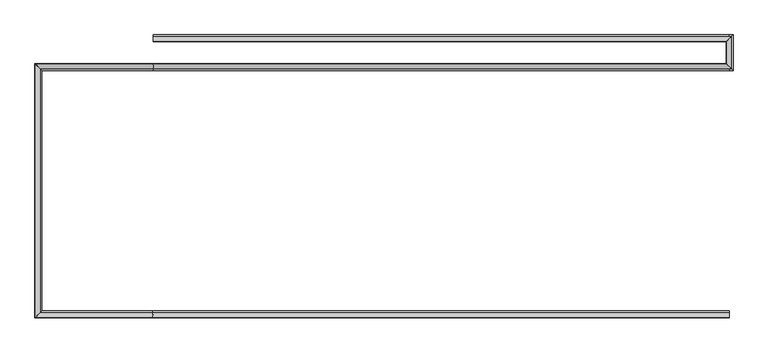
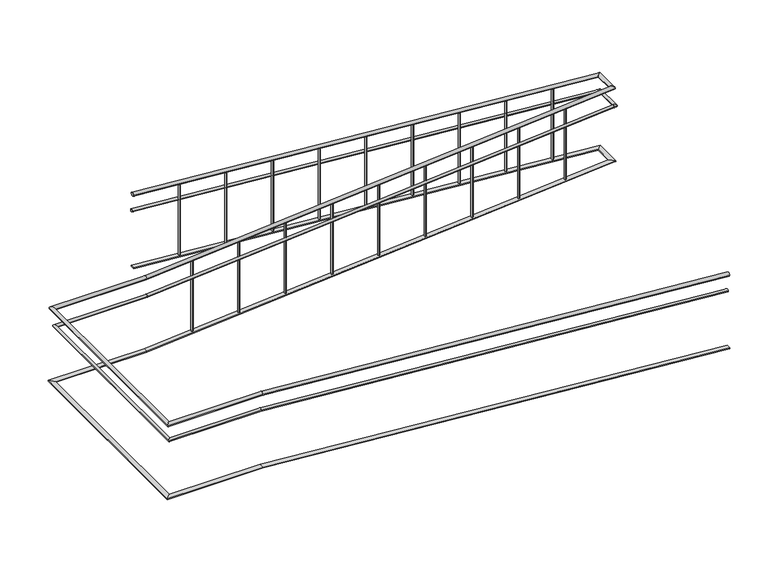
"""IFC4 building model written with IfcOpenShell, lengths in millimetres: railing geometry."""

from ifc_helpers import new_model, si_unit, frame, origin, place, context, project, spatial, ellipse_curve, faceted_brep, source, transform, mapped, element, save
from ifc_brep_helpers import plane_surface, cylinder_surface, advanced_brep


def railing_f78d1041(model_context):
    return source(origin(), model_context, "Body", "SolidModel", [
        advanced_brep(
        [(12860.0112841, -20716.8920513, -320.0638979), (12860.0112841, -20676.8920513, -320.0638979), (7859.21256, -20676.8920513, 80.0), (7859.21256, -20716.8920513, 80.0), (6880.0112841, -20676.8920513, 80.0), (6840.0112841, -20716.8920513, 80.0), (6880.0112841, -18556.8920513, 80.0), (6840.0112841, -18516.8920513, 80.0), (7860.8100082, -18556.8920513, 80.0), (7860.8100082, -18516.8920513, 80.0), (12841.669883, -18516.8920513, 478.46879), (12881.5424941, -18556.8920513, 481.6585989)],
        [
            (0, 1, ellipse_curve(frame((12860.0112841, -20696.8920513, -320.0638979), z_axis=(1.0, 0.0, 0.0), x_axis=(0.0, 0.0, -1.0)), 20.0638979, 20.0)),
            (1, 0, ellipse_curve(frame((12860.0112841, -20696.8920513, -320.0638979), z_axis=(1.0, 0.0, 0.0), x_axis=(0.0, 0.0, -1.0)), 20.0638979, 20.0)),
            (1, 2),
            (2, 3, ellipse_curve(frame((7859.21256, -20696.8920513, 80.0), z_axis=(0.9992035024298416, 0.0, -0.03990439489501753), x_axis=(-0.03990439489501675, 0.0, -0.9992035024298417)), 20.0159426, 20.0)),
            (3, 0),
            (3, 2, ellipse_curve(frame((7859.21256, -20696.8920513, 80.0), z_axis=(0.9992035024298416, 0.0, -0.03990439489501753), x_axis=(-0.03990439489501675, 0.0, -0.9992035024298417)), 20.0159426, 20.0)),
            (2, 4),
            (4, 5, ellipse_curve(frame((6860.0112841, -20696.8920513, 80.0), z_axis=(0.7071067811865487, -0.7071067811865462, 0.0), x_axis=(0.7071067811865464, 0.7071067811865487, 0.0)), 28.2842712, 20.0)),
            (5, 3),
            (5, 4, ellipse_curve(frame((6860.0112841, -20696.8920513, 80.0), z_axis=(0.7071067811865487, -0.7071067811865462, 0.0), x_axis=(0.7071067811865464, 0.7071067811865487, 0.0)), 28.2842712, 20.0)),
            (4, 6),
            (6, 7, ellipse_curve(frame((6860.0112841, -18536.8920513, 80.0), z_axis=(-0.7071067811865462, -0.7071067811865487, 0.0), x_axis=(0.7071067811865487, -0.7071067811865464, 0.0)), 28.2842712, 20.0)),
            (7, 5),
            (7, 6, ellipse_curve(frame((6860.0112841, -18536.8920513, 80.0), z_axis=(-0.7071067811865462, -0.7071067811865487, 0.0), x_axis=(0.7071067811865487, -0.7071067811865464, 0.0)), 28.2842712, 20.0)),
            (6, 8),
            (8, 9, ellipse_curve(frame((7860.8100082, -18536.8920513, 80.0), z_axis=(-0.9992035024298416, 0.0, -0.03990439489501752), x_axis=(-0.03990439489501954, 0.0, 0.9992035024298416)), 20.0159426, 20.0)),
            (9, 7),
            (9, 8, ellipse_curve(frame((7860.8100082, -18536.8920513, 80.0), z_axis=(-0.9992035024298416, 0.0, -0.03990439489501752), x_axis=(-0.03990439489501954, 0.0, 0.9992035024298416)), 20.0159426, 20.0)),
            (10, 11, ellipse_curve(frame((12861.6061885, -18536.8920513, 480.0636944), z_axis=(0.7048548430432501, 0.7071067811865488, 0.056388387443460086), x_axis=(-0.704854843043252, 0.7071067811865466, -0.056388387443460086)), 28.2842712, 20.0)),
            (11, 10, ellipse_curve(frame((12861.6061885, -18536.8920513, 480.0636944), z_axis=(0.7048548430432501, 0.7071067811865488, 0.056388387443460086), x_axis=(-0.704854843043252, 0.7071067811865466, -0.056388387443460086)), 28.2842712, 20.0)),
            (8, 11),
            (10, 9),
        ],
        [
            plane_surface(frame((12860.0112841, -20696.8920513, -300.0), z_axis=(1.0, 0.0, 0.0), x_axis=(0.0, -1.0, 0.0))),
            cylinder_surface(frame((12858.4163797, -20696.8920513, -319.9363056), z_axis=(0.9968152785361251, 0.0, -0.07974522228289002), x_axis=(0.0, 1.0, 0.0)), 20.0),
            cylinder_surface(frame((7860.0112841, -20696.8920513, 80.0), z_axis=(1.0, 0.0, 0.0), x_axis=(0.0, 1.0, 0.0)), 20.0),
            cylinder_surface(frame((6860.0112841, -20696.8920513, 80.0), z_axis=(0.0, -1.0, 0.0), x_axis=(1.0, 0.0, 0.0)), 20.0),
            cylinder_surface(frame((6860.0112841, -18536.8920513, 80.0), z_axis=(-1.0, 0.0, 0.0), x_axis=(0.0, -1.0, 0.0)), 20.0),
            plane_surface(frame((12860.0112841, -18536.8920513, 500.0), z_axis=(0.7048548430432501, 0.7071067811865488, 0.056388387443460086), x_axis=(0.7093515702657431, -0.7026242841491772, -0.0560309297208325))),
            cylinder_surface(frame((7861.6061885, -18536.8920513, 80.0636944), z_axis=(-0.9968152785361251, 0.0, -0.07974522228289001), x_axis=(0.0, -1.0, 0.0)), 20.0),
        ],
        [
            (0, [[1, 2]]),
            (1, [[-2, 3, 4, 5]]),
            (1, [[-1, -5, 6, -3]]),
            (2, [[-4, 7, 8, 9]]),
            (2, [[-6, -9, 10, -7]]),
            (3, [[-8, 11, 12, 13]]),
            (3, [[-10, -13, 14, -11]]),
            (4, [[-12, 15, 16, 17]]),
            (4, [[-14, -17, 18, -15]]),
            (5, [[19, 20]]),
            (6, [[-16, 21, -19, 22]]),
            (6, [[-18, -22, -20, -21]]),
        ],
    ),
        advanced_brep(
        [(12840.0112841, -18515.3608413, 480.0), (12880.0112841, -18555.2334525, 480.0), (12840.0112841, -18315.2334525, 480.0), (12880.0112841, -18275.3608413, 480.0)],
        [
            (0, 1, ellipse_curve(frame((12860.0112841, -18535.2971469, 480.0), z_axis=(-0.7048548430432501, -0.7071067811865488, -0.056388387443460086), x_axis=(0.7048548430432525, -0.7071067811865462, 0.056388387443460086)), 28.2842712, 20.0)),
            (1, 0, ellipse_curve(frame((12860.0112841, -18535.2971469, 480.0), z_axis=(-0.7048548430432501, -0.7071067811865488, -0.056388387443460086), x_axis=(0.7048548430432525, -0.7071067811865462, 0.056388387443460086)), 28.2842712, 20.0)),
            (2, 3, ellipse_curve(frame((12860.0112841, -18295.2971469, 480.0), z_axis=(-0.7048548430432531, 0.7071067811865458, 0.05638838744346018), x_axis=(-0.7048548430432494, -0.7071067811865491, 0.0563883874434601)), 28.2842712, 20.0)),
            (3, 2, ellipse_curve(frame((12860.0112841, -18295.2971469, 480.0), z_axis=(-0.7048548430432531, 0.7071067811865458, 0.05638838744346018), x_axis=(-0.7048548430432494, -0.7071067811865491, 0.0563883874434601)), 28.2842712, 20.0)),
            (1, 3),
            (2, 0),
        ],
        [
            plane_surface(frame((12860.0112841, -18536.8920513, 500.0), z_axis=(-0.7048548430432501, -0.7071067811865488, -0.056388387443460086), x_axis=(0.7093515702657431, -0.7026242841491772, -0.0560309297208325))),
            plane_surface(frame((12860.0112841, -18296.8920513, 500.0), z_axis=(-0.7048548430432531, 0.7071067811865458, 0.05638838744346018), x_axis=(0.7093515702657401, 0.7026242841491802, 0.05603092972083305))),
            cylinder_surface(frame((12860.0112841, -18536.8920513, 480.0), z_axis=(0.0, -1.0, 0.0), x_axis=(1.0, 0.0, 0.0)), 20.0),
        ],
        [
            (0, [[1, 2]]),
            (1, [[3, 4]]),
            (2, [[-2, 5, -3, 6]]),
            (2, [[-1, -6, -4, -5]]),
        ],
    ),
        advanced_brep(
        [(12838.4800741, -18316.8920513, 481.6585989), (12878.3526852, -18276.8920513, 478.46879), (7860.0112841, -18316.8920513, 879.9361021), (7860.0112841, -18276.8920513, 879.9361021)],
        [
            (0, 1, ellipse_curve(frame((12858.4163797, -18296.8920513, 480.0636944), z_axis=(0.7048548430432531, -0.7071067811865458, -0.05638838744346018), x_axis=(0.7048548430432492, 0.7071067811865495, -0.05638838744346005)), 28.2842712, 20.0)),
            (1, 0, ellipse_curve(frame((12858.4163797, -18296.8920513, 480.0636944), z_axis=(0.7048548430432531, -0.7071067811865458, -0.05638838744346018), x_axis=(0.7048548430432492, 0.7071067811865495, -0.05638838744346005)), 28.2842712, 20.0)),
            (2, 3, ellipse_curve(frame((7860.0112841, -18296.8920513, 879.9361021), z_axis=(-1.0, 0.0, 0.0), x_axis=(0.0, 0.0, -1.0)), 20.0638979, 20.0)),
            (3, 2, ellipse_curve(frame((7860.0112841, -18296.8920513, 879.9361021), z_axis=(-1.0, 0.0, 0.0), x_axis=(0.0, 0.0, -1.0)), 20.0638979, 20.0)),
            (1, 3),
            (2, 0),
        ],
        [
            plane_surface(frame((12860.0112841, -18296.8920513, 500.0), z_axis=(0.7048548430432531, -0.7071067811865458, -0.05638838744346018), x_axis=(0.7093515702657401, 0.7026242841491802, 0.05603092972083305))),
            plane_surface(frame((7860.0112841, -18296.8920513, 900.0), z_axis=(-1.0, 0.0, 0.0), x_axis=(0.0, -1.0, 0.0))),
            cylinder_surface(frame((12858.4163797, -18296.8920513, 480.0636944), z_axis=(0.9968152785361251, 0.0, -0.07974522228289005), x_axis=(0.0, 1.0, 0.0)), 20.0),
        ],
        [
            (0, [[1, 2]]),
            (1, [[3, 4]]),
            (2, [[-2, 5, -3, 6]]),
            (2, [[-1, -6, -4, -5]]),
        ],
    ),
        advanced_brep(
        [(12860.0112841, -20691.8920513, -515.0479234), (12860.0112841, -20661.8920513, -515.0479234), (7859.412241, -20661.8920513, -115.0), (7859.412241, -20691.8920513, -115.0), (6895.0112841, -20661.8920513, -115.0), (6865.0112841, -20691.8920513, -115.0), (6895.0112841, -18571.8920513, -115.0), (6865.0112841, -18541.8920513, -115.0), (7860.6103272, -18571.8920513, -115.0), (7860.6103272, -18541.8920513, -115.0), (12860.6103272, -18571.8920513, 285.0), (12860.6103272, -18541.8920513, 285.0), (12895.0112841, -18571.8920513, 285.0), (12865.0112841, -18541.8920513, 285.0), (12895.0112841, -18261.8920513, 285.0), (12865.0112841, -18291.8920513, 285.0), (12859.412241, -18261.8920513, 285.0), (12859.412241, -18291.8920513, 285.0), (7860.0112841, -18291.8920513, 684.9520766), (7860.0112841, -18261.8920513, 684.9520766)],
        [
            (0, 1, ellipse_curve(frame((12860.0112841, -20676.8920513, -515.0479234), z_axis=(1.0, 0.0, 0.0), x_axis=(0.0, 0.0, -1.0)), 15.0479234, 15.0)),
            (1, 0, ellipse_curve(frame((12860.0112841, -20676.8920513, -515.0479234), z_axis=(1.0, 0.0, 0.0), x_axis=(0.0, 0.0, -1.0)), 15.0479234, 15.0)),
            (1, 2),
            (2, 3, ellipse_curve(frame((7859.412241, -20676.8920513, -115.0), z_axis=(0.9992035024298416, 0.0, -0.03990439489501753), x_axis=(-0.03990439489501675, 0.0, -0.9992035024298417)), 15.011957, 15.0)),
            (3, 0),
            (3, 2, ellipse_curve(frame((7859.412241, -20676.8920513, -115.0), z_axis=(0.9992035024298416, 0.0, -0.03990439489501753), x_axis=(-0.03990439489501675, 0.0, -0.9992035024298417)), 15.011957, 15.0)),
            (2, 4),
            (4, 5, ellipse_curve(frame((6880.0112841, -20676.8920513, -115.0), z_axis=(0.7071067811865487, -0.7071067811865462, 0.0), x_axis=(0.7071067811865464, 0.7071067811865487, 0.0)), 21.2132034, 15.0)),
            (5, 3),
            (5, 4, ellipse_curve(frame((6880.0112841, -20676.8920513, -115.0), z_axis=(0.7071067811865487, -0.7071067811865462, 0.0), x_axis=(0.7071067811865464, 0.7071067811865487, 0.0)), 21.2132034, 15.0)),
            (4, 6),
            (6, 7, ellipse_curve(frame((6880.0112841, -18556.8920513, -115.0), z_axis=(-0.7071067811865462, -0.7071067811865487, 0.0), x_axis=(0.7071067811865487, -0.7071067811865464, 0.0)), 21.2132034, 15.0)),
            (7, 5),
            (7, 6, ellipse_curve(frame((6880.0112841, -18556.8920513, -115.0), z_axis=(-0.7071067811865462, -0.7071067811865487, 0.0), x_axis=(0.7071067811865487, -0.7071067811865464, 0.0)), 21.2132034, 15.0)),
            (6, 8),
            (8, 9, ellipse_curve(frame((7860.6103272, -18556.8920513, -115.0), z_axis=(-0.9992035024298416, 0.0, -0.03990439489501752), x_axis=(-0.03990439489501954, 0.0, 0.9992035024298416)), 15.011957, 15.0)),
            (9, 7),
            (9, 8, ellipse_curve(frame((7860.6103272, -18556.8920513, -115.0), z_axis=(-0.9992035024298416, 0.0, -0.03990439489501752), x_axis=(-0.03990439489501954, 0.0, 0.9992035024298416)), 15.011957, 15.0)),
            (8, 10),
            (10, 11, ellipse_curve(frame((12860.6103272, -18556.8920513, 285.0), z_axis=(-0.9992035024298416, 0.0, -0.03990439489501752), x_axis=(0.03990439489501675, 0.0, -0.9992035024298416)), 15.011957, 15.0)),
            (11, 9),
            (11, 10, ellipse_curve(frame((12860.6103272, -18556.8920513, 285.0), z_axis=(-0.9992035024298416, 0.0, -0.03990439489501752), x_axis=(0.03990439489501675, 0.0, -0.9992035024298416)), 15.011957, 15.0)),
            (10, 12),
            (12, 13, ellipse_curve(frame((12880.0112841, -18556.8920513, 285.0), z_axis=(-0.7071067811865462, -0.7071067811865487, 0.0), x_axis=(-0.7071067811865488, 0.7071067811865461, 0.0)), 21.2132034, 15.0)),
            (13, 11),
            (13, 12, ellipse_curve(frame((12880.0112841, -18556.8920513, 285.0), z_axis=(-0.7071067811865462, -0.7071067811865487, 0.0), x_axis=(-0.7071067811865488, 0.7071067811865461, 0.0)), 21.2132034, 15.0)),
            (12, 14),
            (14, 15, ellipse_curve(frame((12880.0112841, -18276.8920513, 285.0), z_axis=(0.7071067811865492, -0.7071067811865457, 0.0), x_axis=(-0.7071067811865455, -0.7071067811865495, 0.0)), 21.2132034, 15.0)),
            (15, 13),
            (15, 14, ellipse_curve(frame((12880.0112841, -18276.8920513, 285.0), z_axis=(0.7071067811865492, -0.7071067811865457, 0.0), x_axis=(-0.7071067811865455, -0.7071067811865495, 0.0)), 21.2132034, 15.0)),
            (14, 16),
            (16, 17, ellipse_curve(frame((12859.412241, -18276.8920513, 285.0), z_axis=(0.9992035024298416, 0.0, -0.03990439489501754), x_axis=(0.03990439489501952, 0.0, 0.9992035024298416)), 15.011957, 15.0)),
            (17, 15),
            (17, 16, ellipse_curve(frame((12859.412241, -18276.8920513, 285.0), z_axis=(0.9992035024298416, 0.0, -0.03990439489501754), x_axis=(0.03990439489501952, 0.0, 0.9992035024298416)), 15.011957, 15.0)),
            (18, 19, ellipse_curve(frame((7860.0112841, -18276.8920513, 684.9520766), z_axis=(-1.0, 0.0, 0.0), x_axis=(0.0, 0.0, -1.0)), 15.0479234, 15.0)),
            (19, 18, ellipse_curve(frame((7860.0112841, -18276.8920513, 684.9520766), z_axis=(-1.0, 0.0, 0.0), x_axis=(0.0, 0.0, -1.0)), 15.0479234, 15.0)),
            (16, 19),
            (18, 17),
        ],
        [
            plane_surface(frame((12860.0112841, -20676.8920513, -500.0), z_axis=(1.0, 0.0, 0.0), x_axis=(0.0, -1.0, 0.0))),
            cylinder_surface(frame((12858.8151058, -20676.8920513, -514.9522292), z_axis=(0.9968152785361251, 0.0, -0.07974522228289002), x_axis=(0.0, 1.0, 0.0)), 15.0),
            cylinder_surface(frame((7860.0112841, -20676.8920513, -115.0), z_axis=(1.0, 0.0, 0.0), x_axis=(0.0, 1.0, 0.0)), 15.0),
            cylinder_surface(frame((6880.0112841, -20676.8920513, -115.0), z_axis=(0.0, -1.0, 0.0), x_axis=(1.0, 0.0, 0.0)), 15.0),
            cylinder_surface(frame((6880.0112841, -18556.8920513, -115.0), z_axis=(-1.0, 0.0, 0.0), x_axis=(0.0, -1.0, 0.0)), 15.0),
            cylinder_surface(frame((7861.2074624, -18556.8920513, -114.9522292), z_axis=(-0.9968152785361251, 0.0, -0.07974522228289001), x_axis=(0.0, -1.0, 0.0)), 15.0),
            cylinder_surface(frame((12860.0112841, -18556.8920513, 285.0), z_axis=(-1.0, 0.0, 0.0), x_axis=(0.0, -1.0, 0.0)), 15.0),
            cylinder_surface(frame((12880.0112841, -18556.8920513, 285.0), z_axis=(0.0, -1.0, 0.0), x_axis=(1.0, 0.0, 0.0)), 15.0),
            cylinder_surface(frame((12880.0112841, -18276.8920513, 285.0), z_axis=(1.0, 0.0, 0.0), x_axis=(0.0, 1.0, 0.0)), 15.0),
            plane_surface(frame((7860.0112841, -18276.8920513, 700.0), z_axis=(-1.0, 0.0, 0.0), x_axis=(0.0, -1.0, 0.0))),
            cylinder_surface(frame((12858.8151058, -18276.8920513, 285.0477708), z_axis=(0.9968152785361251, 0.0, -0.07974522228289005), x_axis=(0.0, 1.0, 0.0)), 15.0),
        ],
        [
            (0, [[1, 2]]),
            (1, [[-2, 3, 4, 5]]),
            (1, [[-1, -5, 6, -3]]),
            (2, [[-4, 7, 8, 9]]),
            (2, [[-6, -9, 10, -7]]),
            (3, [[-8, 11, 12, 13]]),
            (3, [[-10, -13, 14, -11]]),
            (4, [[-12, 15, 16, 17]]),
            (4, [[-14, -17, 18, -15]]),
            (5, [[-16, 19, 20, 21]]),
            (5, [[-18, -21, 22, -19]]),
            (6, [[-20, 23, 24, 25]]),
            (6, [[-22, -25, 26, -23]]),
            (7, [[-24, 27, 28, 29]]),
            (7, [[-26, -29, 30, -27]]),
            (8, [[-28, 31, 32, 33]]),
            (8, [[-30, -33, 34, -31]]),
            (9, [[35, 36]]),
            (10, [[-32, 37, -35, 38]]),
            (10, [[-34, -38, -36, -37]]),
        ],
    ),
        faceted_brep([(12860.0112841, -20671.8920513, -1140.0), (12860.0112841, -20721.8920513, -1140.0), (12860.0112841, -20721.8920513, -1150.031949), (12860.0112841, -20671.8920513, -1150.031949), (7859.6119221, -20671.8920513, -750.0), (7860.0112841, -20671.8920513, -740.0), (7859.6119221, -20721.8920513, -750.0), (7860.0112841, -20721.8920513, -740.0), (6885.0112841, -20671.8920513, -750.0), (6885.0112841, -20671.8920513, -740.0), (6835.0112841, -20721.8920513, -750.0), (6835.0112841, -20721.8920513, -740.0), (6885.0112841, -18561.8920513, -750.0), (6885.0112841, -18561.8920513, -740.0), (6835.0112841, -18511.8920513, -750.0), (6835.0112841, -18511.8920513, -740.0), (7860.4106461, -18561.8920513, -750.0), (7860.0112841, -18561.8920513, -740.0), (7860.4106461, -18511.8920513, -750.0), (7860.0112841, -18511.8920513, -740.0), (12884.9316661, -18561.8920513, -338.0063694), (12885.7291183, -18561.8920513, -347.9745222), (12835.8883544, -18511.8920513, -351.9617833), (12835.0909021, -18511.8920513, -341.9936306)], [[[0, 1, 2, 3]], [[0, 3, 4, 5]], [[3, 2, 6, 4]], [[2, 1, 7, 6]], [[1, 0, 5, 7]], [[5, 4, 8, 9]], [[4, 6, 10, 8]], [[6, 7, 11, 10]], [[7, 5, 9, 11]], [[9, 8, 12, 13]], [[8, 10, 14, 12]], [[10, 11, 15, 14]], [[11, 9, 13, 15]], [[13, 12, 16, 17]], [[12, 14, 18, 16]], [[14, 15, 19, 18]], [[15, 13, 17, 19]], [[20, 21, 22, 23]], [[17, 16, 21, 20]], [[16, 18, 22, 21]], [[18, 19, 23, 22]], [[19, 17, 20, 23]]]),
        faceted_brep([(12885.0112841, -18561.8124333, -340.0), (12835.0112841, -18511.9716694, -340.0), (12835.0112841, -18511.1742172, -350.0), (12885.0112841, -18561.0149811, -350.0), (12885.0112841, -18271.9716694, -340.0), (12885.0112841, -18271.1742172, -350.0), (12835.0112841, -18321.0149811, -350.0), (12835.0112841, -18321.8124333, -340.0)], [[[0, 1, 2, 3]], [[4, 5, 6, 7]], [[0, 3, 5, 4]], [[3, 2, 6, 5]], [[2, 1, 7, 6]], [[1, 0, 4, 7]]]),
        faceted_brep([(12884.9316661, -18271.8920513, -341.9936306), (12835.0909021, -18321.8920513, -338.0063694), (12834.2934499, -18321.8920513, -347.9745222), (12884.1342138, -18271.8920513, -351.9617833), (7860.0112841, -18271.8920513, 60.0), (7860.0112841, -18271.8920513, 49.968051), (7860.0112841, -18321.8920513, 49.968051), (7860.0112841, -18321.8920513, 60.0)], [[[0, 1, 2, 3]], [[4, 5, 6, 7]], [[0, 3, 5, 4]], [[3, 2, 6, 5]], [[2, 1, 7, 6]], [[1, 0, 4, 7]]]),
        advanced_brep(
        [(8360.0112841, -18286.8920513, 819.8722041), (8360.0112841, -18286.8920513, 20.0), (8360.0112841, -18306.8920513, 20.0), (8360.0112841, -18306.8920513, 819.8722041)],
        [
            (0, 1),
            (1, 2, ellipse_curve(frame((8360.0112841, -18296.8920513, 20.0), z_axis=(0.07974522228288976, 0.0, 0.9968152785361251), x_axis=(-0.9968152785361251, 0.0, 0.07974522228288902)), 10.031949, 10.0)),
            (2, 3),
            (3, 0, ellipse_curve(frame((8360.0112841, -18296.8920513, 819.8722041), z_axis=(-0.07974522228288877, 0.0, -0.9968152785361252), x_axis=(-0.9968152785361252, 0.0, 0.07974522228288722)), 10.031949, 10.0)),
            (0, 3, ellipse_curve(frame((8360.0112841, -18296.8920513, 819.8722041), z_axis=(-0.07974522228288877, 0.0, -0.9968152785361252), x_axis=(-0.9968152785361252, 0.0, 0.07974522228288722)), 10.031949, 10.0)),
            (2, 1, ellipse_curve(frame((8360.0112841, -18296.8920513, 20.0), z_axis=(0.07974522228288976, 0.0, 0.9968152785361251), x_axis=(-0.9968152785361251, 0.0, 0.07974522228288902)), 10.031949, 10.0)),
        ],
        [
            cylinder_surface(frame((8360.0112841, -18296.8920513, -80.0), z_axis=(0.0, 0.0, 1.0), x_axis=(0.0, -1.0, 0.0)), 10.0),
            plane_surface(frame((8340.0112841, -18316.8920513, 821.4722041), z_axis=(0.07974522228288877, 0.0, 0.9968152785361252), x_axis=(0.0, 1.0, 0.0))),
            plane_surface(frame((8380.0112841, -18316.8920513, 18.4), z_axis=(-0.07974522228288976, 0.0, -0.9968152785361251), x_axis=(0.0, 1.0, 0.0))),
        ],
        [
            (0, [[1, 2, 3, 4]]),
            (0, [[-1, 5, -3, 6]]),
            (1, [[-4, -5]]),
            (2, [[-2, -6]]),
        ],
    ),
        advanced_brep(
        [(8860.0112841, -18286.8920513, 779.8722041), (8860.0112841, -18286.8920513, -20.0), (8860.0112841, -18306.8920513, -20.0), (8860.0112841, -18306.8920513, 779.8722041)],
        [
            (0, 1),
            (1, 2, ellipse_curve(frame((8860.0112841, -18296.8920513, -20.0), z_axis=(0.07974522228288976, 0.0, 0.9968152785361251), x_axis=(-0.9968152785361251, 0.0, 0.07974522228288902)), 10.031949, 10.0)),
            (2, 3),
            (3, 0, ellipse_curve(frame((8860.0112841, -18296.8920513, 779.8722041), z_axis=(-0.07974522228288877, 0.0, -0.9968152785361252), x_axis=(-0.9968152785361252, 0.0, 0.07974522228288722)), 10.031949, 10.0)),
            (0, 3, ellipse_curve(frame((8860.0112841, -18296.8920513, 779.8722041), z_axis=(-0.07974522228288877, 0.0, -0.9968152785361252), x_axis=(-0.9968152785361252, 0.0, 0.07974522228288722)), 10.031949, 10.0)),
            (2, 1, ellipse_curve(frame((8860.0112841, -18296.8920513, -20.0), z_axis=(0.07974522228288976, 0.0, 0.9968152785361251), x_axis=(-0.9968152785361251, 0.0, 0.07974522228288902)), 10.031949, 10.0)),
        ],
        [
            cylinder_surface(frame((8860.0112841, -18296.8920513, -120.0), z_axis=(0.0, 0.0, 1.0), x_axis=(0.0, -1.0, 0.0)), 10.0),
            plane_surface(frame((8840.0112841, -18316.8920513, 781.4722041), z_axis=(0.07974522228288877, 0.0, 0.9968152785361252), x_axis=(0.0, 1.0, 0.0))),
            plane_surface(frame((8880.0112841, -18316.8920513, -21.6), z_axis=(-0.07974522228288976, 0.0, -0.9968152785361251), x_axis=(0.0, 1.0, 0.0))),
        ],
        [
            (0, [[1, 2, 3, 4]]),
            (0, [[-1, 5, -3, 6]]),
            (1, [[-4, -5]]),
            (2, [[-2, -6]]),
        ],
    ),
        advanced_brep(
        [(9360.0112841, -18286.8920513, 739.8722041), (9360.0112841, -18286.8920513, -60.0), (9360.0112841, -18306.8920513, -60.0), (9360.0112841, -18306.8920513, 739.8722041)],
        [
            (0, 1),
            (1, 2, ellipse_curve(frame((9360.0112841, -18296.8920513, -60.0), z_axis=(0.07974522228288976, 0.0, 0.9968152785361251), x_axis=(-0.9968152785361251, 0.0, 0.07974522228288902)), 10.031949, 10.0)),
            (2, 3),
            (3, 0, ellipse_curve(frame((9360.0112841, -18296.8920513, 739.8722041), z_axis=(-0.07974522228288877, 0.0, -0.9968152785361252), x_axis=(-0.9968152785361252, 0.0, 0.07974522228288722)), 10.031949, 10.0)),
            (0, 3, ellipse_curve(frame((9360.0112841, -18296.8920513, 739.8722041), z_axis=(-0.07974522228288877, 0.0, -0.9968152785361252), x_axis=(-0.9968152785361252, 0.0, 0.07974522228288722)), 10.031949, 10.0)),
            (2, 1, ellipse_curve(frame((9360.0112841, -18296.8920513, -60.0), z_axis=(0.07974522228288976, 0.0, 0.9968152785361251), x_axis=(-0.9968152785361251, 0.0, 0.07974522228288902)), 10.031949, 10.0)),
        ],
        [
            cylinder_surface(frame((9360.0112841, -18296.8920513, -160.0), z_axis=(0.0, 0.0, 1.0), x_axis=(0.0, -1.0, 0.0)), 10.0),
            plane_surface(frame((9340.0112841, -18316.8920513, 741.4722041), z_axis=(0.07974522228288877, 0.0, 0.9968152785361252), x_axis=(0.0, 1.0, 0.0))),
            plane_surface(frame((9380.0112841, -18316.8920513, -61.6), z_axis=(-0.07974522228288976, 0.0, -0.9968152785361251), x_axis=(0.0, 1.0, 0.0))),
        ],
        [
            (0, [[1, 2, 3, 4]]),
            (0, [[-1, 5, -3, 6]]),
            (1, [[-4, -5]]),
            (2, [[-2, -6]]),
        ],
    ),
        advanced_brep(
        [(9860.0112841, -18286.8920513, 699.8722041), (9860.0112841, -18286.8920513, -100.0), (9860.0112841, -18306.8920513, -100.0), (9860.0112841, -18306.8920513, 699.8722041)],
        [
            (0, 1),
            (1, 2, ellipse_curve(frame((9860.0112841, -18296.8920513, -100.0), z_axis=(0.07974522228288976, 0.0, 0.9968152785361251), x_axis=(-0.9968152785361251, 0.0, 0.07974522228288902)), 10.031949, 10.0)),
            (2, 3),
            (3, 0, ellipse_curve(frame((9860.0112841, -18296.8920513, 699.8722041), z_axis=(-0.07974522228288877, 0.0, -0.9968152785361252), x_axis=(-0.9968152785361252, 0.0, 0.07974522228288722)), 10.031949, 10.0)),
            (0, 3, ellipse_curve(frame((9860.0112841, -18296.8920513, 699.8722041), z_axis=(-0.07974522228288877, 0.0, -0.9968152785361252), x_axis=(-0.9968152785361252, 0.0, 0.07974522228288722)), 10.031949, 10.0)),
            (2, 1, ellipse_curve(frame((9860.0112841, -18296.8920513, -100.0), z_axis=(0.07974522228288976, 0.0, 0.9968152785361251), x_axis=(-0.9968152785361251, 0.0, 0.07974522228288902)), 10.031949, 10.0)),
        ],
        [
            cylinder_surface(frame((9860.0112841, -18296.8920513, -200.0), z_axis=(0.0, 0.0, 1.0), x_axis=(0.0, -1.0, 0.0)), 10.0),
            plane_surface(frame((9840.0112841, -18316.8920513, 701.4722041), z_axis=(0.07974522228288877, 0.0, 0.9968152785361252), x_axis=(0.0, 1.0, 0.0))),
            plane_surface(frame((9880.0112841, -18316.8920513, -101.6), z_axis=(-0.07974522228288976, 0.0, -0.9968152785361251), x_axis=(0.0, 1.0, 0.0))),
        ],
        [
            (0, [[1, 2, 3, 4]]),
            (0, [[-1, 5, -3, 6]]),
            (1, [[-4, -5]]),
            (2, [[-2, -6]]),
        ],
    ),
        advanced_brep(
        [(10360.0112841, -18286.8920513, 659.8722041), (10360.0112841, -18286.8920513, -140.0), (10360.0112841, -18306.8920513, -140.0), (10360.0112841, -18306.8920513, 659.8722041)],
        [
            (0, 1),
            (1, 2, ellipse_curve(frame((10360.0112841, -18296.8920513, -140.0), z_axis=(0.07974522228288976, 0.0, 0.9968152785361251), x_axis=(-0.9968152785361251, 0.0, 0.07974522228288902)), 10.031949, 10.0)),
            (2, 3),
            (3, 0, ellipse_curve(frame((10360.0112841, -18296.8920513, 659.8722041), z_axis=(-0.07974522228288877, 0.0, -0.9968152785361252), x_axis=(-0.9968152785361252, 0.0, 0.07974522228288722)), 10.031949, 10.0)),
            (0, 3, ellipse_curve(frame((10360.0112841, -18296.8920513, 659.8722041), z_axis=(-0.07974522228288877, 0.0, -0.9968152785361252), x_axis=(-0.9968152785361252, 0.0, 0.07974522228288722)), 10.031949, 10.0)),
            (2, 1, ellipse_curve(frame((10360.0112841, -18296.8920513, -140.0), z_axis=(0.07974522228288976, 0.0, 0.9968152785361251), x_axis=(-0.9968152785361251, 0.0, 0.07974522228288902)), 10.031949, 10.0)),
        ],
        [
            cylinder_surface(frame((10360.0112841, -18296.8920513, -240.0), z_axis=(0.0, 0.0, 1.0), x_axis=(0.0, -1.0, 0.0)), 10.0),
            plane_surface(frame((10340.0112841, -18316.8920513, 661.4722041), z_axis=(0.07974522228288877, 0.0, 0.9968152785361252), x_axis=(0.0, 1.0, 0.0))),
            plane_surface(frame((10380.0112841, -18316.8920513, -141.6), z_axis=(-0.07974522228288976, 0.0, -0.9968152785361251), x_axis=(0.0, 1.0, 0.0))),
        ],
        [
            (0, [[1, 2, 3, 4]]),
            (0, [[-1, 5, -3, 6]]),
            (1, [[-4, -5]]),
            (2, [[-2, -6]]),
        ],
    ),
        advanced_brep(
        [(10860.0112841, -18286.8920513, 619.8722041), (10860.0112841, -18286.8920513, -180.0), (10860.0112841, -18306.8920513, -180.0), (10860.0112841, -18306.8920513, 619.8722041)],
        [
            (0, 1),
            (1, 2, ellipse_curve(frame((10860.0112841, -18296.8920513, -180.0), z_axis=(0.07974522228288976, 0.0, 0.9968152785361251), x_axis=(-0.9968152785361251, 0.0, 0.07974522228288902)), 10.031949, 10.0)),
            (2, 3),
            (3, 0, ellipse_curve(frame((10860.0112841, -18296.8920513, 619.8722041), z_axis=(-0.07974522228288877, 0.0, -0.9968152785361252), x_axis=(-0.9968152785361252, 0.0, 0.07974522228288722)), 10.031949, 10.0)),
            (0, 3, ellipse_curve(frame((10860.0112841, -18296.8920513, 619.8722041), z_axis=(-0.07974522228288877, 0.0, -0.9968152785361252), x_axis=(-0.9968152785361252, 0.0, 0.07974522228288722)), 10.031949, 10.0)),
            (2, 1, ellipse_curve(frame((10860.0112841, -18296.8920513, -180.0), z_axis=(0.07974522228288976, 0.0, 0.9968152785361251), x_axis=(-0.9968152785361251, 0.0, 0.07974522228288902)), 10.031949, 10.0)),
        ],
        [
            cylinder_surface(frame((10860.0112841, -18296.8920513, -280.0), z_axis=(0.0, 0.0, 1.0), x_axis=(0.0, -1.0, 0.0)), 10.0),
            plane_surface(frame((10840.0112841, -18316.8920513, 621.4722041), z_axis=(0.07974522228288877, 0.0, 0.9968152785361252), x_axis=(0.0, 1.0, 0.0))),
            plane_surface(frame((10880.0112841, -18316.8920513, -181.6), z_axis=(-0.07974522228288976, 0.0, -0.9968152785361251), x_axis=(0.0, 1.0, 0.0))),
        ],
        [
            (0, [[1, 2, 3, 4]]),
            (0, [[-1, 5, -3, 6]]),
            (1, [[-4, -5]]),
            (2, [[-2, -6]]),
        ],
    ),
        advanced_brep(
        [(11360.0112841, -18286.8920513, 579.8722041), (11360.0112841, -18286.8920513, -220.0), (11360.0112841, -18306.8920513, -220.0), (11360.0112841, -18306.8920513, 579.8722041)],
        [
            (0, 1),
            (1, 2, ellipse_curve(frame((11360.0112841, -18296.8920513, -220.0), z_axis=(0.07974522228288976, 0.0, 0.9968152785361251), x_axis=(-0.9968152785361251, 0.0, 0.07974522228288902)), 10.031949, 10.0)),
            (2, 3),
            (3, 0, ellipse_curve(frame((11360.0112841, -18296.8920513, 579.8722041), z_axis=(-0.07974522228288877, 0.0, -0.9968152785361252), x_axis=(-0.9968152785361252, 0.0, 0.07974522228288722)), 10.031949, 10.0)),
            (0, 3, ellipse_curve(frame((11360.0112841, -18296.8920513, 579.8722041), z_axis=(-0.07974522228288877, 0.0, -0.9968152785361252), x_axis=(-0.9968152785361252, 0.0, 0.07974522228288722)), 10.031949, 10.0)),
            (2, 1, ellipse_curve(frame((11360.0112841, -18296.8920513, -220.0), z_axis=(0.07974522228288976, 0.0, 0.9968152785361251), x_axis=(-0.9968152785361251, 0.0, 0.07974522228288902)), 10.031949, 10.0)),
        ],
        [
            cylinder_surface(frame((11360.0112841, -18296.8920513, -320.0), z_axis=(0.0, 0.0, 1.0), x_axis=(0.0, -1.0, 0.0)), 10.0),
            plane_surface(frame((11340.0112841, -18316.8920513, 581.4722041), z_axis=(0.07974522228288877, 0.0, 0.9968152785361252), x_axis=(0.0, 1.0, 0.0))),
            plane_surface(frame((11380.0112841, -18316.8920513, -221.6), z_axis=(-0.07974522228288976, 0.0, -0.9968152785361251), x_axis=(0.0, 1.0, 0.0))),
        ],
        [
            (0, [[1, 2, 3, 4]]),
            (0, [[-1, 5, -3, 6]]),
            (1, [[-4, -5]]),
            (2, [[-2, -6]]),
        ],
    ),
        advanced_brep(
        [(11860.0112841, -18286.8920513, 539.8722041), (11860.0112841, -18286.8920513, -260.0), (11860.0112841, -18306.8920513, -260.0), (11860.0112841, -18306.8920513, 539.8722041)],
        [
            (0, 1),
            (1, 2, ellipse_curve(frame((11860.0112841, -18296.8920513, -260.0), z_axis=(0.07974522228288976, 0.0, 0.9968152785361251), x_axis=(-0.9968152785361251, 0.0, 0.07974522228288902)), 10.031949, 10.0)),
            (2, 3),
            (3, 0, ellipse_curve(frame((11860.0112841, -18296.8920513, 539.8722041), z_axis=(-0.07974522228288877, 0.0, -0.9968152785361252), x_axis=(-0.9968152785361252, 0.0, 0.07974522228288722)), 10.031949, 10.0)),
            (0, 3, ellipse_curve(frame((11860.0112841, -18296.8920513, 539.8722041), z_axis=(-0.07974522228288877, 0.0, -0.9968152785361252), x_axis=(-0.9968152785361252, 0.0, 0.07974522228288722)), 10.031949, 10.0)),
            (2, 1, ellipse_curve(frame((11860.0112841, -18296.8920513, -260.0), z_axis=(0.07974522228288976, 0.0, 0.9968152785361251), x_axis=(-0.9968152785361251, 0.0, 0.07974522228288902)), 10.031949, 10.0)),
        ],
        [
            cylinder_surface(frame((11860.0112841, -18296.8920513, -360.0), z_axis=(0.0, 0.0, 1.0), x_axis=(0.0, -1.0, 0.0)), 10.0),
            plane_surface(frame((11840.0112841, -18316.8920513, 541.4722041), z_axis=(0.07974522228288877, 0.0, 0.9968152785361252), x_axis=(0.0, 1.0, 0.0))),
            plane_surface(frame((11880.0112841, -18316.8920513, -261.6), z_axis=(-0.07974522228288976, 0.0, -0.9968152785361251), x_axis=(0.0, 1.0, 0.0))),
        ],
        [
            (0, [[1, 2, 3, 4]]),
            (0, [[-1, 5, -3, 6]]),
            (1, [[-4, -5]]),
            (2, [[-2, -6]]),
        ],
    ),
        advanced_brep(
        [(12360.0112841, -18286.8920513, 499.8722041), (12360.0112841, -18286.8920513, -300.0), (12360.0112841, -18306.8920513, -300.0), (12360.0112841, -18306.8920513, 499.8722041)],
        [
            (0, 1),
            (1, 2, ellipse_curve(frame((12360.0112841, -18296.8920513, -300.0), z_axis=(0.07974522228288976, 0.0, 0.9968152785361251), x_axis=(-0.9968152785361251, 0.0, 0.07974522228288902)), 10.031949, 10.0)),
            (2, 3),
            (3, 0, ellipse_curve(frame((12360.0112841, -18296.8920513, 499.8722041), z_axis=(-0.07974522228288877, 0.0, -0.9968152785361252), x_axis=(-0.9968152785361252, 0.0, 0.07974522228288722)), 10.031949, 10.0)),
            (0, 3, ellipse_curve(frame((12360.0112841, -18296.8920513, 499.8722041), z_axis=(-0.07974522228288877, 0.0, -0.9968152785361252), x_axis=(-0.9968152785361252, 0.0, 0.07974522228288722)), 10.031949, 10.0)),
            (2, 1, ellipse_curve(frame((12360.0112841, -18296.8920513, -300.0), z_axis=(0.07974522228288976, 0.0, 0.9968152785361251), x_axis=(-0.9968152785361251, 0.0, 0.07974522228288902)), 10.031949, 10.0)),
        ],
        [
            cylinder_surface(frame((12360.0112841, -18296.8920513, -400.0), z_axis=(0.0, 0.0, 1.0), x_axis=(0.0, -1.0, 0.0)), 10.0),
            plane_surface(frame((12340.0112841, -18316.8920513, 501.4722041), z_axis=(0.07974522228288877, 0.0, 0.9968152785361252), x_axis=(0.0, 1.0, 0.0))),
            plane_surface(frame((12380.0112841, -18316.8920513, -301.6), z_axis=(-0.07974522228288976, 0.0, -0.9968152785361251), x_axis=(0.0, 1.0, 0.0))),
        ],
        [
            (0, [[1, 2, 3, 4]]),
            (0, [[-1, 5, -3, 6]]),
            (1, [[-4, -5]]),
            (2, [[-2, -6]]),
        ],
    ),
        advanced_brep(
        [(12360.0112841, -18546.8920513, 419.8722041), (12360.0112841, -18546.8920513, -380.0), (12360.0112841, -18526.8920513, -380.0), (12360.0112841, -18526.8920513, 419.8722041)],
        [
            (0, 1),
            (1, 2, ellipse_curve(frame((12360.0112841, -18536.8920513, -380.0), z_axis=(-0.07974522228288976, 0.0, 0.9968152785361251), x_axis=(0.9968152785361251, 0.0, 0.07974522228288902)), 10.031949, 10.0)),
            (2, 3),
            (3, 0, ellipse_curve(frame((12360.0112841, -18536.8920513, 419.8722041), z_axis=(0.07974522228288877, 0.0, -0.9968152785361252), x_axis=(0.9968152785361252, 0.0, 0.07974522228288722)), 10.031949, 10.0)),
            (0, 3, ellipse_curve(frame((12360.0112841, -18536.8920513, 419.8722041), z_axis=(0.07974522228288877, 0.0, -0.9968152785361252), x_axis=(0.9968152785361252, 0.0, 0.07974522228288722)), 10.031949, 10.0)),
            (2, 1, ellipse_curve(frame((12360.0112841, -18536.8920513, -380.0), z_axis=(-0.07974522228288976, 0.0, 0.9968152785361251), x_axis=(0.9968152785361251, 0.0, 0.07974522228288902)), 10.031949, 10.0)),
        ],
        [
            cylinder_surface(frame((12360.0112841, -18536.8920513, -480.0), z_axis=(0.0, 0.0, 1.0), x_axis=(0.0, 1.0, 0.0)), 10.0),
            plane_surface(frame((12380.0112841, -18516.8920513, 421.4722041), z_axis=(-0.07974522228288877, 0.0, 0.9968152785361252), x_axis=(0.0, -1.0, 0.0))),
            plane_surface(frame((12340.0112841, -18516.8920513, -381.6), z_axis=(0.07974522228288976, 0.0, -0.9968152785361251), x_axis=(0.0, -1.0, 0.0))),
        ],
        [
            (0, [[1, 2, 3, 4]]),
            (0, [[-1, 5, -3, 6]]),
            (1, [[-4, -5]]),
            (2, [[-2, -6]]),
        ],
    ),
        advanced_brep(
        [(11860.0112841, -18546.8920513, 379.8722041), (11860.0112841, -18546.8920513, -420.0), (11860.0112841, -18526.8920513, -420.0), (11860.0112841, -18526.8920513, 379.8722041)],
        [
            (0, 1),
            (1, 2, ellipse_curve(frame((11860.0112841, -18536.8920513, -420.0), z_axis=(-0.07974522228288976, 0.0, 0.9968152785361251), x_axis=(0.9968152785361251, 0.0, 0.07974522228288902)), 10.031949, 10.0)),
            (2, 3),
            (3, 0, ellipse_curve(frame((11860.0112841, -18536.8920513, 379.8722041), z_axis=(0.07974522228288877, 0.0, -0.9968152785361252), x_axis=(0.9968152785361252, 0.0, 0.07974522228288722)), 10.031949, 10.0)),
            (0, 3, ellipse_curve(frame((11860.0112841, -18536.8920513, 379.8722041), z_axis=(0.07974522228288877, 0.0, -0.9968152785361252), x_axis=(0.9968152785361252, 0.0, 0.07974522228288722)), 10.031949, 10.0)),
            (2, 1, ellipse_curve(frame((11860.0112841, -18536.8920513, -420.0), z_axis=(-0.07974522228288976, 0.0, 0.9968152785361251), x_axis=(0.9968152785361251, 0.0, 0.07974522228288902)), 10.031949, 10.0)),
        ],
        [
            cylinder_surface(frame((11860.0112841, -18536.8920513, -520.0), z_axis=(0.0, 0.0, 1.0), x_axis=(0.0, 1.0, 0.0)), 10.0),
            plane_surface(frame((11880.0112841, -18516.8920513, 381.4722041), z_axis=(-0.07974522228288877, 0.0, 0.9968152785361252), x_axis=(0.0, -1.0, 0.0))),
            plane_surface(frame((11840.0112841, -18516.8920513, -421.6), z_axis=(0.07974522228288976, 0.0, -0.9968152785361251), x_axis=(0.0, -1.0, 0.0))),
        ],
        [
            (0, [[1, 2, 3, 4]]),
            (0, [[-1, 5, -3, 6]]),
            (1, [[-4, -5]]),
            (2, [[-2, -6]]),
        ],
    ),
        advanced_brep(
        [(11360.0112841, -18546.8920513, 339.8722041), (11360.0112841, -18546.8920513, -460.0), (11360.0112841, -18526.8920513, -460.0), (11360.0112841, -18526.8920513, 339.8722041)],
        [
            (0, 1),
            (1, 2, ellipse_curve(frame((11360.0112841, -18536.8920513, -460.0), z_axis=(-0.07974522228288976, 0.0, 0.9968152785361251), x_axis=(0.9968152785361251, 0.0, 0.07974522228288902)), 10.031949, 10.0)),
            (2, 3),
            (3, 0, ellipse_curve(frame((11360.0112841, -18536.8920513, 339.8722041), z_axis=(0.07974522228288877, 0.0, -0.9968152785361252), x_axis=(0.9968152785361252, 0.0, 0.07974522228288722)), 10.031949, 10.0)),
            (0, 3, ellipse_curve(frame((11360.0112841, -18536.8920513, 339.8722041), z_axis=(0.07974522228288877, 0.0, -0.9968152785361252), x_axis=(0.9968152785361252, 0.0, 0.07974522228288722)), 10.031949, 10.0)),
            (2, 1, ellipse_curve(frame((11360.0112841, -18536.8920513, -460.0), z_axis=(-0.07974522228288976, 0.0, 0.9968152785361251), x_axis=(0.9968152785361251, 0.0, 0.07974522228288902)), 10.031949, 10.0)),
        ],
        [
            cylinder_surface(frame((11360.0112841, -18536.8920513, -560.0), z_axis=(0.0, 0.0, 1.0), x_axis=(0.0, 1.0, 0.0)), 10.0),
            plane_surface(frame((11380.0112841, -18516.8920513, 341.4722041), z_axis=(-0.07974522228288877, 0.0, 0.9968152785361252), x_axis=(0.0, -1.0, 0.0))),
            plane_surface(frame((11340.0112841, -18516.8920513, -461.6), z_axis=(0.07974522228288976, 0.0, -0.9968152785361251), x_axis=(0.0, -1.0, 0.0))),
        ],
        [
            (0, [[1, 2, 3, 4]]),
            (0, [[-1, 5, -3, 6]]),
            (1, [[-4, -5]]),
            (2, [[-2, -6]]),
        ],
    ),
        advanced_brep(
        [(10860.0112841, -18546.8920513, 299.8722041), (10860.0112841, -18546.8920513, -500.0), (10860.0112841, -18526.8920513, -500.0), (10860.0112841, -18526.8920513, 299.8722041)],
        [
            (0, 1),
            (1, 2, ellipse_curve(frame((10860.0112841, -18536.8920513, -500.0), z_axis=(-0.07974522228288976, 0.0, 0.9968152785361251), x_axis=(0.9968152785361251, 0.0, 0.07974522228288902)), 10.031949, 10.0)),
            (2, 3),
            (3, 0, ellipse_curve(frame((10860.0112841, -18536.8920513, 299.8722041), z_axis=(0.07974522228288877, 0.0, -0.9968152785361252), x_axis=(0.9968152785361252, 0.0, 0.07974522228288722)), 10.031949, 10.0)),
            (0, 3, ellipse_curve(frame((10860.0112841, -18536.8920513, 299.8722041), z_axis=(0.07974522228288877, 0.0, -0.9968152785361252), x_axis=(0.9968152785361252, 0.0, 0.07974522228288722)), 10.031949, 10.0)),
            (2, 1, ellipse_curve(frame((10860.0112841, -18536.8920513, -500.0), z_axis=(-0.07974522228288976, 0.0, 0.9968152785361251), x_axis=(0.9968152785361251, 0.0, 0.07974522228288902)), 10.031949, 10.0)),
        ],
        [
            cylinder_surface(frame((10860.0112841, -18536.8920513, -600.0), z_axis=(0.0, 0.0, 1.0), x_axis=(0.0, 1.0, 0.0)), 10.0),
            plane_surface(frame((10880.0112841, -18516.8920513, 301.4722041), z_axis=(-0.07974522228288877, 0.0, 0.9968152785361252), x_axis=(0.0, -1.0, 0.0))),
            plane_surface(frame((10840.0112841, -18516.8920513, -501.6), z_axis=(0.07974522228288976, 0.0, -0.9968152785361251), x_axis=(0.0, -1.0, 0.0))),
        ],
        [
            (0, [[1, 2, 3, 4]]),
            (0, [[-1, 5, -3, 6]]),
            (1, [[-4, -5]]),
            (2, [[-2, -6]]),
        ],
    ),
        advanced_brep(
        [(10360.0112841, -18546.8920513, 259.8722041), (10360.0112841, -18546.8920513, -540.0), (10360.0112841, -18526.8920513, -540.0), (10360.0112841, -18526.8920513, 259.8722041)],
        [
            (0, 1),
            (1, 2, ellipse_curve(frame((10360.0112841, -18536.8920513, -540.0), z_axis=(-0.07974522228288976, 0.0, 0.9968152785361251), x_axis=(0.9968152785361251, 0.0, 0.07974522228288902)), 10.031949, 10.0)),
            (2, 3),
            (3, 0, ellipse_curve(frame((10360.0112841, -18536.8920513, 259.8722041), z_axis=(0.07974522228288877, 0.0, -0.9968152785361252), x_axis=(0.9968152785361252, 0.0, 0.07974522228288722)), 10.031949, 10.0)),
            (0, 3, ellipse_curve(frame((10360.0112841, -18536.8920513, 259.8722041), z_axis=(0.07974522228288877, 0.0, -0.9968152785361252), x_axis=(0.9968152785361252, 0.0, 0.07974522228288722)), 10.031949, 10.0)),
            (2, 1, ellipse_curve(frame((10360.0112841, -18536.8920513, -540.0), z_axis=(-0.07974522228288976, 0.0, 0.9968152785361251), x_axis=(0.9968152785361251, 0.0, 0.07974522228288902)), 10.031949, 10.0)),
        ],
        [
            cylinder_surface(frame((10360.0112841, -18536.8920513, -640.0), z_axis=(0.0, 0.0, 1.0), x_axis=(0.0, 1.0, 0.0)), 10.0),
            plane_surface(frame((10380.0112841, -18516.8920513, 261.4722041), z_axis=(-0.07974522228288877, 0.0, 0.9968152785361252), x_axis=(0.0, -1.0, 0.0))),
            plane_surface(frame((10340.0112841, -18516.8920513, -541.6), z_axis=(0.07974522228288976, 0.0, -0.9968152785361251), x_axis=(0.0, -1.0, 0.0))),
        ],
        [
            (0, [[1, 2, 3, 4]]),
            (0, [[-1, 5, -3, 6]]),
            (1, [[-4, -5]]),
            (2, [[-2, -6]]),
        ],
    ),
        advanced_brep(
        [(9860.0112841, -18546.8920513, 219.8722041), (9860.0112841, -18546.8920513, -580.0), (9860.0112841, -18526.8920513, -580.0), (9860.0112841, -18526.8920513, 219.8722041)],
        [
            (0, 1),
            (1, 2, ellipse_curve(frame((9860.0112841, -18536.8920513, -580.0), z_axis=(-0.07974522228288976, 0.0, 0.9968152785361251), x_axis=(0.9968152785361251, 0.0, 0.07974522228288902)), 10.031949, 10.0)),
            (2, 3),
            (3, 0, ellipse_curve(frame((9860.0112841, -18536.8920513, 219.8722041), z_axis=(0.07974522228288877, 0.0, -0.9968152785361252), x_axis=(0.9968152785361252, 0.0, 0.07974522228288722)), 10.031949, 10.0)),
            (0, 3, ellipse_curve(frame((9860.0112841, -18536.8920513, 219.8722041), z_axis=(0.07974522228288877, 0.0, -0.9968152785361252), x_axis=(0.9968152785361252, 0.0, 0.07974522228288722)), 10.031949, 10.0)),
            (2, 1, ellipse_curve(frame((9860.0112841, -18536.8920513, -580.0), z_axis=(-0.07974522228288976, 0.0, 0.9968152785361251), x_axis=(0.9968152785361251, 0.0, 0.07974522228288902)), 10.031949, 10.0)),
        ],
        [
            cylinder_surface(frame((9860.0112841, -18536.8920513, -680.0), z_axis=(0.0, 0.0, 1.0), x_axis=(0.0, 1.0, 0.0)), 10.0),
            plane_surface(frame((9880.0112841, -18516.8920513, 221.4722041), z_axis=(-0.07974522228288877, 0.0, 0.9968152785361252), x_axis=(0.0, -1.0, 0.0))),
            plane_surface(frame((9840.0112841, -18516.8920513, -581.6), z_axis=(0.07974522228288976, 0.0, -0.9968152785361251), x_axis=(0.0, -1.0, 0.0))),
        ],
        [
            (0, [[1, 2, 3, 4]]),
            (0, [[-1, 5, -3, 6]]),
            (1, [[-4, -5]]),
            (2, [[-2, -6]]),
        ],
    ),
        advanced_brep(
        [(9360.0112841, -18546.8920513, 179.8722041), (9360.0112841, -18546.8920513, -620.0), (9360.0112841, -18526.8920513, -620.0), (9360.0112841, -18526.8920513, 179.8722041)],
        [
            (0, 1),
            (1, 2, ellipse_curve(frame((9360.0112841, -18536.8920513, -620.0), z_axis=(-0.07974522228288976, 0.0, 0.9968152785361251), x_axis=(0.9968152785361251, 0.0, 0.07974522228288902)), 10.031949, 10.0)),
            (2, 3),
            (3, 0, ellipse_curve(frame((9360.0112841, -18536.8920513, 179.8722041), z_axis=(0.07974522228288877, 0.0, -0.9968152785361252), x_axis=(0.9968152785361252, 0.0, 0.07974522228288722)), 10.031949, 10.0)),
            (0, 3, ellipse_curve(frame((9360.0112841, -18536.8920513, 179.8722041), z_axis=(0.07974522228288877, 0.0, -0.9968152785361252), x_axis=(0.9968152785361252, 0.0, 0.07974522228288722)), 10.031949, 10.0)),
            (2, 1, ellipse_curve(frame((9360.0112841, -18536.8920513, -620.0), z_axis=(-0.07974522228288976, 0.0, 0.9968152785361251), x_axis=(0.9968152785361251, 0.0, 0.07974522228288902)), 10.031949, 10.0)),
        ],
        [
            cylinder_surface(frame((9360.0112841, -18536.8920513, -720.0), z_axis=(0.0, 0.0, 1.0), x_axis=(0.0, 1.0, 0.0)), 10.0),
            plane_surface(frame((9380.0112841, -18516.8920513, 181.4722041), z_axis=(-0.07974522228288877, 0.0, 0.9968152785361252), x_axis=(0.0, -1.0, 0.0))),
            plane_surface(frame((9340.0112841, -18516.8920513, -621.6), z_axis=(0.07974522228288976, 0.0, -0.9968152785361251), x_axis=(0.0, -1.0, 0.0))),
        ],
        [
            (0, [[1, 2, 3, 4]]),
            (0, [[-1, 5, -3, 6]]),
            (1, [[-4, -5]]),
            (2, [[-2, -6]]),
        ],
    ),
        advanced_brep(
        [(8860.0112841, -18546.8920513, 139.8722041), (8860.0112841, -18546.8920513, -660.0), (8860.0112841, -18526.8920513, -660.0), (8860.0112841, -18526.8920513, 139.8722041)],
        [
            (0, 1),
            (1, 2, ellipse_curve(frame((8860.0112841, -18536.8920513, -660.0), z_axis=(-0.07974522228288976, 0.0, 0.9968152785361251), x_axis=(0.9968152785361251, 0.0, 0.07974522228288902)), 10.031949, 10.0)),
            (2, 3),
            (3, 0, ellipse_curve(frame((8860.0112841, -18536.8920513, 139.8722041), z_axis=(0.07974522228288877, 0.0, -0.9968152785361252), x_axis=(0.9968152785361252, 0.0, 0.07974522228288722)), 10.031949, 10.0)),
            (0, 3, ellipse_curve(frame((8860.0112841, -18536.8920513, 139.8722041), z_axis=(0.07974522228288877, 0.0, -0.9968152785361252), x_axis=(0.9968152785361252, 0.0, 0.07974522228288722)), 10.031949, 10.0)),
            (2, 1, ellipse_curve(frame((8860.0112841, -18536.8920513, -660.0), z_axis=(-0.07974522228288976, 0.0, 0.9968152785361251), x_axis=(0.9968152785361251, 0.0, 0.07974522228288902)), 10.031949, 10.0)),
        ],
        [
            cylinder_surface(frame((8860.0112841, -18536.8920513, -760.0), z_axis=(0.0, 0.0, 1.0), x_axis=(0.0, 1.0, 0.0)), 10.0),
            plane_surface(frame((8880.0112841, -18516.8920513, 141.4722041), z_axis=(-0.07974522228288877, 0.0, 0.9968152785361252), x_axis=(0.0, -1.0, 0.0))),
            plane_surface(frame((8840.0112841, -18516.8920513, -661.6), z_axis=(0.07974522228288976, 0.0, -0.9968152785361251), x_axis=(0.0, -1.0, 0.0))),
        ],
        [
            (0, [[1, 2, 3, 4]]),
            (0, [[-1, 5, -3, 6]]),
            (1, [[-4, -5]]),
            (2, [[-2, -6]]),
        ],
    ),
        advanced_brep(
        [(8360.0112841, -18546.8920513, 99.8722041), (8360.0112841, -18546.8920513, -700.0), (8360.0112841, -18526.8920513, -700.0), (8360.0112841, -18526.8920513, 99.8722041)],
        [
            (0, 1),
            (1, 2, ellipse_curve(frame((8360.0112841, -18536.8920513, -700.0), z_axis=(-0.07974522228288976, 0.0, 0.9968152785361251), x_axis=(0.9968152785361251, 0.0, 0.07974522228288902)), 10.031949, 10.0)),
            (2, 3),
            (3, 0, ellipse_curve(frame((8360.0112841, -18536.8920513, 99.8722041), z_axis=(0.07974522228288877, 0.0, -0.9968152785361252), x_axis=(0.9968152785361252, 0.0, 0.07974522228288722)), 10.031949, 10.0)),
            (0, 3, ellipse_curve(frame((8360.0112841, -18536.8920513, 99.8722041), z_axis=(0.07974522228288877, 0.0, -0.9968152785361252), x_axis=(0.9968152785361252, 0.0, 0.07974522228288722)), 10.031949, 10.0)),
            (2, 1, ellipse_curve(frame((8360.0112841, -18536.8920513, -700.0), z_axis=(-0.07974522228288976, 0.0, 0.9968152785361251), x_axis=(0.9968152785361251, 0.0, 0.07974522228288902)), 10.031949, 10.0)),
        ],
        [
            cylinder_surface(frame((8360.0112841, -18536.8920513, -800.0), z_axis=(0.0, 0.0, 1.0), x_axis=(0.0, 1.0, 0.0)), 10.0),
            plane_surface(frame((8380.0112841, -18516.8920513, 101.4722041), z_axis=(-0.07974522228288877, 0.0, 0.9968152785361252), x_axis=(0.0, -1.0, 0.0))),
            plane_surface(frame((8340.0112841, -18516.8920513, -701.6), z_axis=(0.07974522228288976, 0.0, -0.9968152785361251), x_axis=(0.0, -1.0, 0.0))),
        ],
        [
            (0, [[1, 2, 3, 4]]),
            (0, [[-1, 5, -3, 6]]),
            (1, [[-4, -5]]),
            (2, [[-2, -6]]),
        ],
    ),
    ])


if __name__ == "__main__":
    model = new_model("IFC4")
    model_context = context("Model", 3, world=origin())
    ifc_project = project(units=[si_unit("LENGTHUNIT", "METRE", prefix="MILLI")], contexts=[model_context])
    site = spatial("IfcSite", under=ifc_project)
    building = spatial("IfcBuilding", under=site)
    placement = place(None, origin())
    railing_shape = railing_f78d1041(model_context)
    element("IfcRailing", 1, at=placement, inside=building, context=model_context, shape_type="MappedRepresentation", body=[
        mapped(railing_shape, transform((0.0, 0.0, 0.0), x_axis=(1.0, 0.0, 0.0), y_axis=(0.0, 1.0, 0.0), z_axis=(0.0, 0.0, 1.0))),
    ])
    save(model, "model.ifc")
